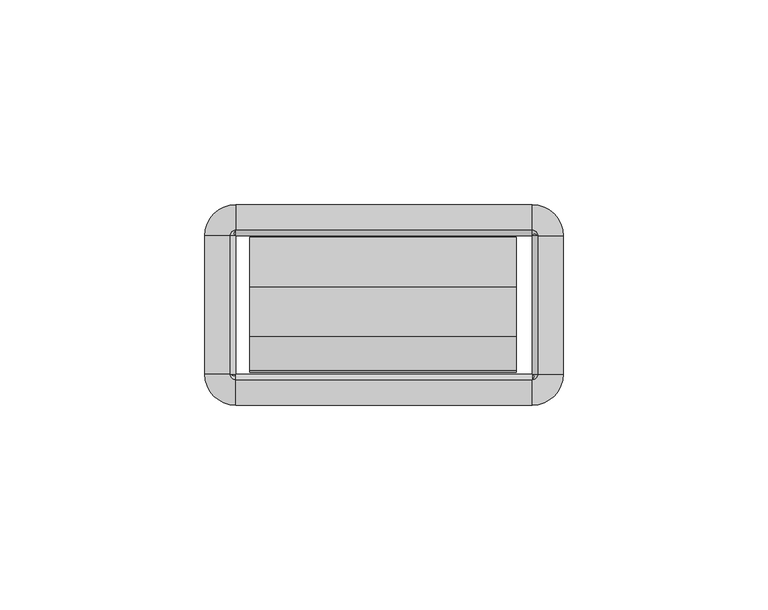
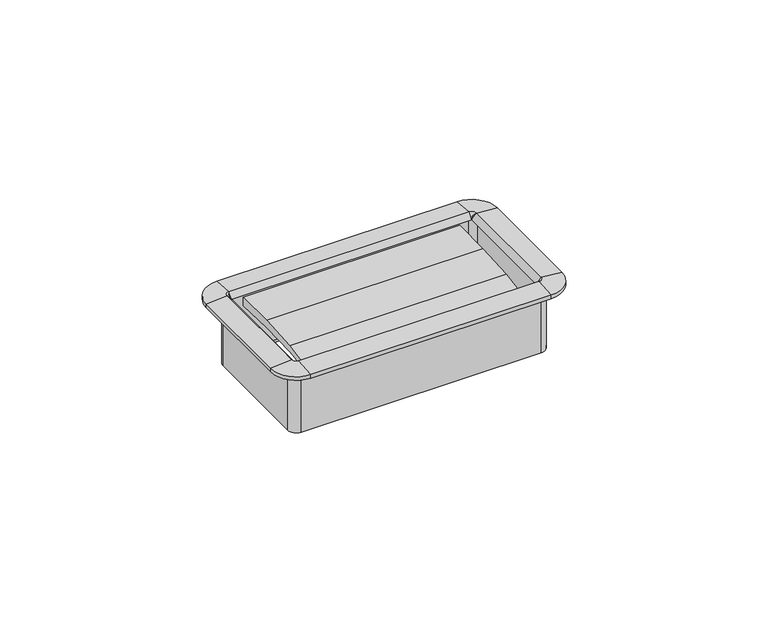
"""IFC4 building model written with IfcOpenShell, lengths in millimetres: furniture geometry."""

from ifc_helpers import new_model, si_unit, frame, origin, place, context, project, spatial, polyline, circle_curve, outline, extrude, source, transform, mapped, element, save
from ifc_brep_helpers import plane_surface, cylinder_surface, revolved_surface, advanced_brep


def furniture_2a2ba98e(model_context):
    return source(origin(), model_context, "Body", "SolidModel", [
        extrude(outline(polyline([(-27.4015977, 696.8413463), (-35.841251, 695.7777762), (-35.4230807, 697.1557243), (-27.1272776, 698.6947401), (-15.0207956, 699.4883076), (-2.8884162, 699.5334028), (-2.9633248, 696.7752515), (-15.1814712, 697.1742355), (-27.4015977, 696.8413463)])), frame((-32.8496732, 0.0, 0.0), z_axis=(1.0, 0.0, 0.0), x_axis=(0.0, 1.0, 0.0)), (0.0, 0.0, 1.0), 65.1763996),
        advanced_brep(
        [(37.8602578, -2.54, 699.77), (36.1704551, -0.8501974, 699.77), (36.1704551, -0.8501974, 680.9232), (37.8602578, -2.54, 680.9232), (37.5244377, -2.54, 701.4352454), (36.1704551, -1.1860174, 701.4352454), (36.1704551, -2.5172282, 699.77), (43.7913825, -2.54, 700.913), (36.1704551, 5.0809274, 700.913), (43.7913825, -2.54, 699.77), (36.1704551, 5.0809274, 699.77), (38.7104551, -2.54, 679.4499989), (36.1704551, 0.0, 679.4499989), (36.1704551, 0.0, 699.77), (38.7104551, -2.54, 699.77), (37.8602578, -36.2712, 680.9232), (37.8602578, -36.2712, 699.77), (36.1932269, -36.2712, 699.77), (37.5244377, -36.2712, 701.4352454), (43.7913825, -36.2712, 700.913), (43.7913825, -36.2712, 699.77), (38.7104551, -36.2712, 699.77), (38.7104551, -36.2712, 679.4499989), (36.1704551, -37.9610026, 699.77), (36.1704551, -37.9610026, 680.9232), (36.1704551, -37.6251826, 701.4352454), (36.1704551, -43.8921274, 700.913), (36.1704551, -43.8921274, 699.77), (36.1704551, -38.8112, 679.4499989), (36.1704551, -38.8112, 699.77), (-36.1687428, -37.9610026, 680.9232), (-36.1687428, -37.9610026, 699.77), (-36.1687428, -36.2939718, 699.77), (-36.1687428, -37.6251826, 701.4352454), (-36.1687428, -43.8921274, 700.913), (-36.1687428, -43.8921274, 699.77), (-36.1687428, -38.8112, 699.77), (-36.1687428, -38.8112, 679.4499989), (-37.8585455, -36.2712, 699.77), (-37.8585455, -36.2712, 680.9232), (-37.5227254, -36.2712, 701.4352454), (-43.7896702, -36.2712, 700.913), (-43.7896702, -36.2712, 699.77), (-38.7087428, -36.2712, 679.4499989), (-38.7087428, -36.2712, 699.77), (-37.8585455, -2.54, 680.9232), (-37.8585455, -2.54, 699.77), (-36.1915146, -2.54, 699.77), (-37.5227254, -2.54, 701.4352454), (-43.7896702, -2.54, 700.913), (-43.7896702, -2.54, 699.77), (-38.7087428, -2.54, 699.77), (-38.7087428, -2.54, 679.4499989), (-36.1687428, -0.8501974, 699.77), (-36.1687428, -0.8501974, 680.9232), (-36.1687428, -1.1860174, 701.4352454), (-36.1687428, 5.0809274, 700.913), (-36.1687428, 5.0809274, 699.77), (-36.1687428, 0.0, 679.4499989), (-36.1687428, 0.0, 699.77), (38.6519521, -2.54, 680.9232), (36.1704551, -0.058503, 680.9232), (38.6519521, -36.2712, 680.9232), (36.1704551, -38.752697, 680.9232), (-36.1687428, -38.752697, 680.9232), (-38.6502398, -36.2712, 680.9232), (-38.6502398, -2.54, 680.9232), (-36.1687428, -0.058503, 680.9232)],
        [
            (0, 1, circle_curve(frame((36.1704551, -2.54, 699.77), z_axis=(0.0, 0.0, 1.0), x_axis=(0.0, 1.0, 0.0)), 1.6898026)),
            (1, 2),
            (2, 3, circle_curve(frame((36.1704551, -2.54, 680.9232), z_axis=(0.0, 0.0, -1.0), x_axis=(0.0, 1.0, 0.0)), 1.6898026)),
            (3, 0),
            (4, 5, circle_curve(frame((36.1704551, -2.54, 701.4352454), z_axis=(0.0, 0.0, 1.0), x_axis=(0.0, 1.0, 0.0)), 1.3539826)),
            (5, 6),
            (6, 4),
            (7, 8, circle_curve(frame((36.1704551, -2.54, 700.913), z_axis=(0.0, 0.0, 1.0), x_axis=(0.0, 1.0, 0.0)), 7.6209274)),
            (8, 5),
            (4, 7),
            (9, 10, circle_curve(frame((36.1704551, -2.54, 699.77), z_axis=(0.0, 0.0, 1.0), x_axis=(0.0, 1.0, 0.0)), 7.6209274)),
            (10, 8),
            (7, 9),
            (11, 12, circle_curve(frame((36.1704551, -2.54, 679.4499989), z_axis=(0.0, 0.0, 1.0), x_axis=(0.0, 1.0, 0.0)), 2.54)),
            (12, 13),
            (13, 14, circle_curve(frame((36.1704551, -2.54, 699.77), z_axis=(0.0, 0.0, -1.0), x_axis=(0.0, 1.0, 0.0)), 2.54)),
            (14, 11),
            (3, 15),
            (15, 16),
            (16, 0),
            (6, 17),
            (17, 18),
            (18, 4),
            (18, 19),
            (19, 7),
            (19, 20),
            (20, 9),
            (14, 21),
            (21, 22),
            (22, 11),
            (23, 16, circle_curve(frame((36.1704551, -36.2712, 699.77), z_axis=(0.0, 0.0, 1.0), x_axis=(1.0, 0.0, 0.0)), 1.6898026)),
            (15, 24, circle_curve(frame((36.1704551, -36.2712, 680.9232), z_axis=(0.0, 0.0, -1.0), x_axis=(1.0, 0.0, 0.0)), 1.6898026)),
            (24, 23),
            (25, 18, circle_curve(frame((36.1704551, -36.2712, 701.4352454), z_axis=(0.0, 0.0, 1.0), x_axis=(1.0, 0.0, 0.0)), 1.3539826)),
            (17, 25),
            (26, 19, circle_curve(frame((36.1704551, -36.2712, 700.913), z_axis=(0.0, 0.0, 1.0), x_axis=(1.0, 0.0, 0.0)), 7.6209274)),
            (25, 26),
            (27, 20, circle_curve(frame((36.1704551, -36.2712, 699.77), z_axis=(0.0, 0.0, 1.0), x_axis=(1.0, 0.0, 0.0)), 7.6209274)),
            (26, 27),
            (28, 22, circle_curve(frame((36.1704551, -36.2712, 679.4499989), z_axis=(0.0, 0.0, 1.0), x_axis=(1.0, 0.0, 0.0)), 2.54)),
            (21, 29, circle_curve(frame((36.1704551, -36.2712, 699.77), z_axis=(0.0, 0.0, -1.0), x_axis=(1.0, 0.0, 0.0)), 2.54)),
            (29, 28),
            (24, 30),
            (30, 31),
            (31, 23),
            (17, 32),
            (32, 33),
            (33, 25),
            (33, 34),
            (34, 26),
            (34, 35),
            (35, 27),
            (29, 36),
            (36, 37),
            (37, 28),
            (38, 31, circle_curve(frame((-36.1687428, -36.2712, 699.77), z_axis=(0.0, 0.0, 1.0), x_axis=(0.0, -1.0, 0.0)), 1.6898026)),
            (30, 39, circle_curve(frame((-36.1687428, -36.2712, 680.9232), z_axis=(0.0, 0.0, -1.0), x_axis=(0.0, -1.0, 0.0)), 1.6898026)),
            (39, 38),
            (40, 33, circle_curve(frame((-36.1687428, -36.2712, 701.4352454), z_axis=(0.0, 0.0, 1.0), x_axis=(0.0, -1.0, 0.0)), 1.3539826)),
            (32, 40),
            (41, 34, circle_curve(frame((-36.1687428, -36.2712, 700.913), z_axis=(0.0, 0.0, 1.0), x_axis=(0.0, -1.0, 0.0)), 7.6209274)),
            (40, 41),
            (42, 35, circle_curve(frame((-36.1687428, -36.2712, 699.77), z_axis=(0.0, 0.0, 1.0), x_axis=(0.0, -1.0, 0.0)), 7.6209274)),
            (41, 42),
            (43, 37, circle_curve(frame((-36.1687428, -36.2712, 679.4499989), z_axis=(0.0, 0.0, 1.0), x_axis=(0.0, -1.0, 0.0)), 2.54)),
            (36, 44, circle_curve(frame((-36.1687428, -36.2712, 699.77), z_axis=(0.0, 0.0, -1.0), x_axis=(0.0, -1.0, 0.0)), 2.54)),
            (44, 43),
            (39, 45),
            (45, 46),
            (46, 38),
            (32, 47),
            (47, 48),
            (48, 40),
            (48, 49),
            (49, 41),
            (49, 50),
            (50, 42),
            (44, 51),
            (51, 52),
            (52, 43),
            (53, 46, circle_curve(frame((-36.1687428, -2.54, 699.77), z_axis=(0.0, 0.0, 1.0), x_axis=(-1.0, 0.0, 0.0)), 1.6898026)),
            (45, 54, circle_curve(frame((-36.1687428, -2.54, 680.9232), z_axis=(0.0, 0.0, -1.0), x_axis=(-1.0, 0.0, 0.0)), 1.6898026)),
            (54, 53),
            (55, 48, circle_curve(frame((-36.1687428, -2.54, 701.4352454), z_axis=(0.0, 0.0, 1.0), x_axis=(-1.0, 0.0, 0.0)), 1.3539826)),
            (47, 55),
            (56, 49, circle_curve(frame((-36.1687428, -2.54, 700.913), z_axis=(0.0, 0.0, 1.0), x_axis=(-1.0, 0.0, 0.0)), 7.6209274)),
            (55, 56),
            (57, 50, circle_curve(frame((-36.1687428, -2.54, 699.77), z_axis=(0.0, 0.0, 1.0), x_axis=(-1.0, 0.0, 0.0)), 7.6209274)),
            (56, 57),
            (58, 52, circle_curve(frame((-36.1687428, -2.54, 679.4499989), z_axis=(0.0, 0.0, 1.0), x_axis=(-1.0, 0.0, 0.0)), 2.54)),
            (51, 59, circle_curve(frame((-36.1687428, -2.54, 699.77), z_axis=(0.0, 0.0, -1.0), x_axis=(-1.0, 0.0, 0.0)), 2.54)),
            (59, 58),
            (54, 2),
            (1, 53),
            (6, 47),
            (5, 55),
            (8, 56),
            (10, 57),
            (13, 59),
            (12, 58),
            (60, 61, circle_curve(frame((36.1704551, -2.54, 680.9232), z_axis=(0.0, 0.0, 1.0), x_axis=(0.0, 1.0, 0.0)), 2.481497)),
            (61, 12),
            (11, 60),
            (22, 62),
            (62, 60),
            (63, 62, circle_curve(frame((36.1704551, -36.2712, 680.9232), z_axis=(0.0, 0.0, 1.0), x_axis=(1.0, 0.0, 0.0)), 2.481497)),
            (28, 63),
            (37, 64),
            (64, 63),
            (65, 64, circle_curve(frame((-36.1687428, -36.2712, 680.9232), z_axis=(0.0, 0.0, 1.0), x_axis=(0.0, -1.0, 0.0)), 2.481497)),
            (43, 65),
            (52, 66),
            (66, 65),
            (67, 66, circle_curve(frame((-36.1687428, -2.54, 680.9232), z_axis=(0.0, 0.0, 1.0), x_axis=(-1.0, 0.0, 0.0)), 2.481497)),
            (58, 67),
            (61, 67),
        ],
        [
            revolved_surface(polyline([(36.1704551, -0.8501974000000001, 680.9232), (36.1704551, -0.8501974000000001, 699.77)]), (36.1704551, -2.54, 699.77), (0.0, 0.0, -1.0)),
            revolved_surface(polyline([(36.1704551, -2.5172282, 699.77), (36.1704551, -1.1860174, 701.4352454)]), (36.1704551, -2.54, 699.77), (0.0, 0.0, -1.0)),
            revolved_surface(polyline([(36.1704551, -1.1860174, 701.4352454), (36.1704551, 5.0809274, 700.913)]), (36.1704551, -2.54, 699.77), (0.0, 0.0, -1.0)),
            cylinder_surface(frame((36.1704551, -2.54, 699.77), z_axis=(0.0, 0.0, -1.0), x_axis=(0.0, 1.0, 0.0)), 7.6209274),
            cylinder_surface(frame((36.1704551, -2.54, 699.77), z_axis=(0.0, 0.0, -1.0), x_axis=(0.0, 1.0, 0.0)), 2.54),
            plane_surface(frame((37.8602578, -2.54, 680.9232), z_axis=(-1.0, 0.0, 0.0), x_axis=(0.0, -1.0, 0.0))),
            plane_surface(frame((36.1932269, -2.54, 699.77), z_axis=(-0.7810942622858547, 0.0, 0.6244131272035499), x_axis=(0.0, -1.0, 0.0))),
            plane_surface(frame((37.5244377, -2.54, 701.4352454), z_axis=(0.08304548081379862, 0.0, 0.9965457581648749), x_axis=(0.0, -1.0, 0.0))),
            plane_surface(frame((43.7913825, -2.54, 700.913), z_axis=(1.0, 0.0, 0.0), x_axis=(0.0, -1.0, 0.0))),
            plane_surface(frame((38.7104551, -2.54, 699.77), z_axis=(1.0, 0.0, 0.0), x_axis=(0.0, -1.0, 0.0))),
            revolved_surface(polyline([(37.8602577, -36.2712, 680.9232), (37.8602577, -36.2712, 699.77)]), (36.1704551, -36.2712, 699.77), (0.0, 0.0, -1.0)),
            revolved_surface(polyline([(36.1932269, -36.2712, 699.77), (37.5244377, -36.2712, 701.4352454)]), (36.1704551, -36.2712, 699.77), (0.0, 0.0, -1.0)),
            revolved_surface(polyline([(37.5244377, -36.2712, 701.4352454), (43.7913825, -36.2712, 700.913)]), (36.1704551, -36.2712, 699.77), (0.0, 0.0, -1.0)),
            cylinder_surface(frame((36.1704551, -36.2712, 699.77), z_axis=(0.0, 0.0, -1.0), x_axis=(1.0, 0.0, 0.0)), 7.6209274),
            cylinder_surface(frame((36.1704551, -36.2712, 699.77), z_axis=(0.0, 0.0, -1.0), x_axis=(1.0, 0.0, 0.0)), 2.54),
            plane_surface(frame((36.1704551, -37.9610026, 680.9232), z_axis=(0.0, 1.0, 0.0), x_axis=(-1.0, 0.0, 0.0))),
            plane_surface(frame((36.1704551, -36.2939718, 699.77), z_axis=(0.0, 0.7810942622858565, 0.6244131272035475), x_axis=(-1.0, 0.0, 0.0))),
            plane_surface(frame((36.1704551, -37.6251826, 701.4352454), z_axis=(0.0, -0.08304548081379555, 0.9965457581648751), x_axis=(-1.0, 0.0, 0.0))),
            plane_surface(frame((36.1704551, -43.8921274, 700.913), z_axis=(0.0, -1.0, 0.0), x_axis=(-1.0, 0.0, 0.0))),
            plane_surface(frame((36.1704551, -38.8112, 699.77), z_axis=(0.0, -1.0, 0.0), x_axis=(-1.0, 0.0, 0.0))),
            revolved_surface(polyline([(-36.1687428, -37.9610026, 680.9232), (-36.1687428, -37.9610026, 699.77)]), (-36.1687428, -36.2712, 699.77), (0.0, 0.0, -1.0)),
            revolved_surface(polyline([(-36.1687428, -36.2939718, 699.77), (-36.1687428, -37.6251826, 701.4352454)]), (-36.1687428, -36.2712, 699.77), (0.0, 0.0, -1.0)),
            revolved_surface(polyline([(-36.1687428, -37.6251826, 701.4352454), (-36.1687428, -43.8921274, 700.913)]), (-36.1687428, -36.2712, 699.77), (0.0, 0.0, -1.0)),
            cylinder_surface(frame((-36.1687428, -36.2712, 699.77), z_axis=(0.0, 0.0, -1.0), x_axis=(0.0, -1.0, 0.0)), 7.6209274),
            cylinder_surface(frame((-36.1687428, -36.2712, 699.77), z_axis=(0.0, 0.0, -1.0), x_axis=(0.0, -1.0, 0.0)), 2.54),
            plane_surface(frame((-37.8585455, -36.2712, 680.9232), z_axis=(1.0, 0.0, 0.0), x_axis=(0.0, 1.0, 0.0))),
            plane_surface(frame((-36.1915146, -36.2712, 699.77), z_axis=(0.7810942622858585, 0.0, 0.6244131272035451), x_axis=(0.0, 1.0, 0.0))),
            plane_surface(frame((-37.5227254, -36.2712, 701.4352454), z_axis=(-0.08304548081379248, 0.0, 0.9965457581648753), x_axis=(0.0, 1.0, 0.0))),
            plane_surface(frame((-43.7896702, -36.2712, 700.913), z_axis=(-1.0, 0.0, 0.0), x_axis=(0.0, 1.0, 0.0))),
            plane_surface(frame((-38.7087428, -36.2712, 699.77), z_axis=(-1.0, 0.0, 0.0), x_axis=(0.0, 1.0, 0.0))),
            revolved_surface(polyline([(-37.8585454, -2.54, 680.9232), (-37.8585454, -2.54, 699.77)]), (-36.1687428, -2.54, 699.77), (0.0, 0.0, -1.0)),
            revolved_surface(polyline([(-36.1915146, -2.54, 699.77), (-37.5227254, -2.54, 701.4352454)]), (-36.1687428, -2.54, 699.77), (0.0, 0.0, -1.0)),
            revolved_surface(polyline([(-37.5227254, -2.54, 701.4352454), (-43.7896702, -2.54, 700.913)]), (-36.1687428, -2.54, 699.77), (0.0, 0.0, -1.0)),
            cylinder_surface(frame((-36.1687428, -2.54, 699.77), z_axis=(0.0, 0.0, -1.0), x_axis=(-1.0, 0.0, 0.0)), 7.6209274),
            cylinder_surface(frame((-36.1687428, -2.54, 699.77), z_axis=(0.0, 0.0, -1.0), x_axis=(-1.0, 0.0, 0.0)), 2.54),
            plane_surface(frame((-36.1687428, -0.8501974, 680.9232), z_axis=(0.0, -1.0, 0.0), x_axis=(1.0, 0.0, 0.0))),
            plane_surface(frame((-36.1687428, -0.8501974, 699.77), z_axis=(0.0, 0.0, -1.0), x_axis=(1.0, 0.0, 0.0))),
            plane_surface(frame((-36.1687428, -2.5172282, 699.77), z_axis=(0.0, -0.7810942622858567, 0.6244131272035476), x_axis=(1.0, 0.0, 0.0))),
            plane_surface(frame((-36.1687428, -1.1860174, 701.4352454), z_axis=(0.0, 0.08304548081379555, 0.9965457581648751), x_axis=(1.0, 0.0, 0.0))),
            plane_surface(frame((-36.1687428, 5.0809274, 700.913), z_axis=(0.0, 1.0, 0.0), x_axis=(1.0, 0.0, 0.0))),
            plane_surface(frame((-36.1687428, 5.0809274, 699.77), z_axis=(0.0, 0.0, -1.0), x_axis=(1.0, 0.0, 0.0))),
            plane_surface(frame((-36.1687428, 0.0, 699.77), z_axis=(0.0, 1.0, 0.0), x_axis=(1.0, 0.0, 0.0))),
            revolved_surface(polyline([(36.1704551, 0.0, 679.4499989), (36.1704551, -0.058503, 680.9232)]), (36.1704551, -2.54, 699.77), (0.0, 0.0, -1.0)),
            plane_surface(frame((38.7104551, -2.54, 679.4499989), z_axis=(-0.9992124303949471, 0.0, -0.03968020847000604), x_axis=(0.0, -1.0, 0.0))),
            revolved_surface(polyline([(38.7104551, -36.2712, 679.4499989), (38.6519521, -36.2712, 680.9232)]), (36.1704551, -36.2712, 699.77), (0.0, 0.0, -1.0)),
            plane_surface(frame((36.1704551, -38.8112, 679.4499989), z_axis=(0.0, 0.999212430394947, -0.039680208470009116), x_axis=(-1.0, 0.0, 0.0))),
            revolved_surface(polyline([(-36.1687428, -38.8112, 679.4499989), (-36.1687428, -38.752697, 680.9232)]), (-36.1687428, -36.2712, 699.77), (0.0, 0.0, -1.0)),
            plane_surface(frame((-38.7087428, -36.2712, 679.4499989), z_axis=(0.9992124303949469, 0.0, -0.03968020847001219), x_axis=(0.0, 1.0, 0.0))),
            revolved_surface(polyline([(-38.7087428, -2.54, 679.4499989), (-38.6502398, -2.54, 680.9232)]), (-36.1687428, -2.54, 699.77), (0.0, 0.0, -1.0)),
            plane_surface(frame((-36.1687428, 0.0, 679.4499989), z_axis=(0.0, -0.999212430394947, -0.039680208470009116), x_axis=(1.0, 0.0, 0.0))),
            plane_surface(frame((-36.1687428, -0.058503, 680.9232), z_axis=(0.0, 0.0, -1.0), x_axis=(1.0, 0.0, 0.0))),
        ],
        [
            (0, [[1, 2, 3, 4]]),
            (1, [[5, 6, 7]]),
            (2, [[8, 9, -5, 10]]),
            (3, [[11, 12, -8, 13]]),
            (4, [[14, 15, 16, 17]]),
            (5, [[-4, 18, 19, 20]]),
            (6, [[-7, 21, 22, 23]]),
            (7, [[-10, -23, 24, 25]]),
            (8, [[-13, -25, 26, 27]]),
            (9, [[-17, 28, 29, 30]]),
            (10, [[31, -19, 32, 33]]),
            (11, [[34, -22, 35]]),
            (12, [[36, -24, -34, 37]]),
            (13, [[38, -26, -36, 39]]),
            (14, [[40, -29, 41, 42]]),
            (15, [[-33, 43, 44, 45]]),
            (16, [[-35, 46, 47, 48]]),
            (17, [[-37, -48, 49, 50]]),
            (18, [[-39, -50, 51, 52]]),
            (19, [[-42, 53, 54, 55]]),
            (20, [[56, -44, 57, 58]]),
            (21, [[59, -47, 60]]),
            (22, [[61, -49, -59, 62]]),
            (23, [[63, -51, -61, 64]]),
            (24, [[65, -54, 66, 67]]),
            (25, [[-58, 68, 69, 70]]),
            (26, [[-60, 71, 72, 73]]),
            (27, [[-62, -73, 74, 75]]),
            (28, [[-64, -75, 76, 77]]),
            (29, [[-67, 78, 79, 80]]),
            (30, [[81, -69, 82, 83]]),
            (31, [[84, -72, 85]]),
            (32, [[86, -74, -84, 87]]),
            (33, [[88, -76, -86, 89]]),
            (34, [[90, -79, 91, 92]]),
            (35, [[-83, 93, -2, 94]]),
            (36, [[-70, -81, -94, -1, -20, -31, -45, -56], [95, -71, -46, -21]]),
            (37, [[-85, -95, -6, 96]]),
            (38, [[-87, -96, -9, 97]]),
            (39, [[-89, -97, -12, 98]]),
            (40, [[-77, -88, -98, -11, -27, -38, -52, -63], [99, -91, -78, -66, -53, -41, -28, -16]]),
            (41, [[-92, -99, -15, 100]]),
            (42, [[101, 102, -14, 103]]),
            (43, [[-103, -30, 104, 105]]),
            (44, [[106, -104, -40, 107]]),
            (45, [[-107, -55, 108, 109]]),
            (46, [[110, -108, -65, 111]]),
            (47, [[-111, -80, 112, 113]]),
            (48, [[114, -112, -90, 115]]),
            (49, [[-115, -100, -102, 116]]),
            (50, [[-113, -114, -116, -101, -105, -106, -109, -110], [-93, -82, -68, -57, -43, -32, -18, -3]]),
        ],
    ),
    ])


if __name__ == "__main__":
    model = new_model("IFC4")
    model_context = context("Model", 3, world=origin())
    ifc_project = project(units=[si_unit("LENGTHUNIT", "METRE", prefix="MILLI")], contexts=[model_context])
    site = spatial("IfcSite", under=ifc_project)
    building = spatial("IfcBuilding", under=site)
    placement = place(None, origin())
    furniture_shape = furniture_2a2ba98e(model_context)
    element("IfcFurniture", 1, at=placement, inside=building, context=model_context, shape_type="MappedRepresentation", body=[
        mapped(furniture_shape, transform((0.0, 0.0, 0.0), x_axis=(1.0, 0.0, 0.0), y_axis=(0.0, 1.0, 0.0), z_axis=(0.0, 0.0, 1.0))),
    ])
    save(model, "model.ifc")
